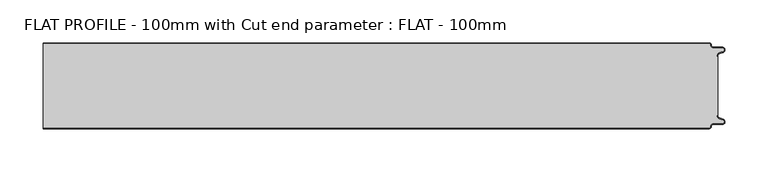
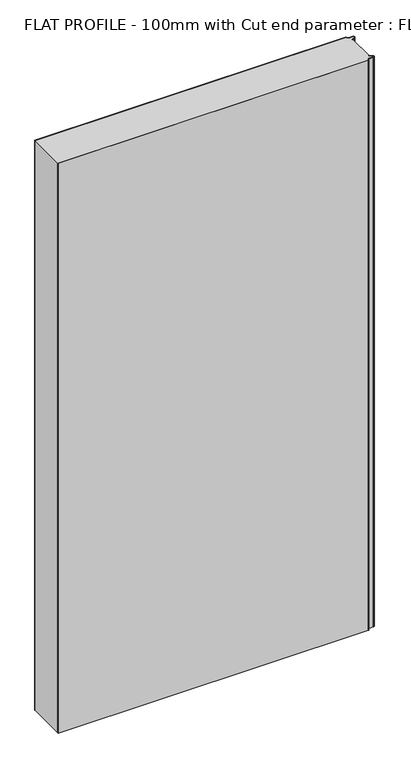
"""IFC4 building model written with IfcOpenShell, lengths in millimetres: proxy geometry, FLAT PROFILE - 100mm with Cut end parameter : FLAT - 100mm."""

from ifc_helpers import new_model, si_unit, point, frame_2d, origin, origin_with_axes, place, context, project, spatial, polyline, circle_curve, trimmed, segment, composite_curve, outline, extrude, source, transform, mapped, element, save


def flat_profile_100mm_with_cut_end_parameter_flat_100mm_bf63f241(model_context):
    return source(origin(), model_context, "Body", "SweptSolid", [
        extrude(outline(composite_curve([segment(trimmed(circle_curve(frame_2d((596.9047345, 47.4926459)), 1.5073578), [point((596.902372, 49.0000019))], [point((598.4115951, 47.4539337))], False, "CARTESIAN"), True, "CONTINUOUS"), segment(trimmed(circle_curve(frame_2d((601.9112919, 47.5000019)), 3.5), [point((598.4115951, 47.4539337))], [point((601.9112919, 44.0000019))], True, "CARTESIAN"), True, "CONTINUOUS"), segment(polyline([(601.9112919, 44.0000019), (612.3116271, 44.0000019)]), True, "CONTINUOUS"), segment(trimmed(circle_curve(frame_2d((612.3116271, 41.9000019)), 2.1), [point((612.3116271, 44.0000019))], [point((613.0435993, 39.9316988))], False, "CARTESIAN"), True, "CONTINUOUS"), segment(polyline([(613.0435993, 39.9316988), (610.7828028, 39.1063001), (607.8546835, 37.9154156)]), True, "CONTINUOUS"), segment(trimmed(circle_curve(frame_2d((608.9399875, 35.2468953)), 2.8807786), [point((607.8546835, 37.9154156))], [point((606.0682599, 35.475074))], True, "CARTESIAN"), True, "CONTINUOUS"), segment(polyline([(606.0682599, 35.475074), (606.0107004, 34.2522232), (607.0118076, 34.2522232), (607.0118076, -34.2522195), (606.0107004, -34.2522195), (606.0682599, -35.4750703)]), True, "CONTINUOUS"), segment(trimmed(circle_curve(frame_2d((608.9399875, -35.2468916)), 2.8807786), [point((606.0682599, -35.4750703))], [point((607.8546835, -37.9154119))], True, "CARTESIAN"), True, "CONTINUOUS"), segment(polyline([(607.8546835, -37.9154119), (610.7828028, -39.1062964), (613.0435993, -39.9316951)]), True, "CONTINUOUS"), segment(trimmed(circle_curve(frame_2d((612.3116271, -41.8999981)), 2.1), [point((613.0435993, -39.9316951))], [point((612.3116271, -43.9999981))], False, "CARTESIAN"), True, "CONTINUOUS"), segment(polyline([(612.3116271, -43.9999981), (601.9112919, -43.9999981)]), True, "CONTINUOUS"), segment(trimmed(circle_curve(frame_2d((601.9112919, -47.4999981)), 3.5), [point((601.9112919, -43.9999981))], [point((598.4115951, -47.45393))], True, "CARTESIAN"), True, "CONTINUOUS"), segment(trimmed(circle_curve(frame_2d((596.9047345, -47.4926422)), 1.5073578), [point((598.4115951, -47.45393))], [point((596.902372, -48.9999981))], False, "CARTESIAN"), True, "CONTINUOUS"), segment(polyline([(596.902372, -48.9999981), (-176.9581191, -48.9999981), (-176.9581191, 49.0000019), (596.902372, 49.0000019)]), True, "CONTINUOUS")], self_intersect=False)), origin_with_axes(), (0.0, 0.0, 1.0), 1500.0),
        extrude(outline(composite_curve([segment(trimmed(circle_curve(frame_2d((596.9047345, 47.4926459)), 2.5073578), [point((596.9016875, 50.0000019))], [point((599.4117582, 47.4517176))], False, "CARTESIAN"), True, "CONTINUOUS"), segment(trimmed(circle_curve(frame_2d((601.9112919, 47.5000019)), 2.5), [point((599.4117582, 47.4517176))], [point((601.9112919, 45.0000019))], True, "CARTESIAN"), True, "CONTINUOUS"), segment(polyline([(601.9112919, 45.0000019), (612.3116271, 45.0000019)]), True, "CONTINUOUS"), segment(trimmed(circle_curve(frame_2d((612.3116271, 41.9000019)), 3.1), [point((612.3116271, 45.0000019))], [point((613.3890842, 38.9932707))], False, "CARTESIAN"), True, "CONTINUOUS"), segment(polyline([(613.3890842, 38.9932707), (611.1427659, 38.1731578), (608.2411829, 37.0549269)]), True, "CONTINUOUS"), segment(trimmed(circle_curve(frame_2d((609.0514567, 35.1592666)), 2.0615701), [point((608.2411829, 37.0549269))], [point((607.0118076, 35.4591051))], True, "CARTESIAN"), True, "CONTINUOUS"), segment(polyline([(607.0118076, 35.4591051), (607.0118076, 34.2522232), (606.0107004, 34.2522232), (606.0682599, 35.475074)]), True, "CONTINUOUS"), segment(trimmed(circle_curve(frame_2d((608.9399875, 35.2468953)), 2.8807786), [point((606.0682599, 35.475074))], [point((607.8546835, 37.9154156))], False, "CARTESIAN"), True, "CONTINUOUS"), segment(polyline([(607.8546835, 37.9154156), (610.7828028, 39.1063001), (613.0435993, 39.9316988)]), True, "CONTINUOUS"), segment(trimmed(circle_curve(frame_2d((612.3116271, 41.9000019)), 2.1), [point((613.0435993, 39.9316988))], [point((612.3116271, 44.0000019))], True, "CARTESIAN"), True, "CONTINUOUS"), segment(polyline([(612.3116271, 44.0000019), (601.9112919, 44.0000019)]), True, "CONTINUOUS"), segment(trimmed(circle_curve(frame_2d((601.9112919, 47.5000019)), 3.5), [point((601.9112919, 44.0000019))], [point((598.4115951, 47.4539337))], False, "CARTESIAN"), True, "CONTINUOUS"), segment(trimmed(circle_curve(frame_2d((596.9047345, 47.4926459)), 1.5073578), [point((598.4115951, 47.4539337))], [point((596.902372, 49.0000019))], True, "CARTESIAN"), True, "CONTINUOUS"), segment(polyline([(596.902372, 49.0000019), (-176.9581191, 49.0000019), (-176.9581191, 50.0000019), (596.9016875, 50.0000019)]), True, "CONTINUOUS")], self_intersect=False)), origin_with_axes(), (0.0, 0.0, 1.0), 1500.0),
        extrude(outline(composite_curve([segment(trimmed(circle_curve(frame_2d((596.9047345, -47.4926422)), 1.5073578), [point((596.902372, -48.9999981))], [point((598.4115951, -47.45393))], True, "CARTESIAN"), True, "CONTINUOUS"), segment(trimmed(circle_curve(frame_2d((601.9112919, -47.4999981)), 3.5), [point((598.4115951, -47.45393))], [point((601.9112919, -43.9999981))], False, "CARTESIAN"), True, "CONTINUOUS"), segment(polyline([(601.9112919, -43.9999981), (612.3116271, -43.9999981)]), True, "CONTINUOUS"), segment(trimmed(circle_curve(frame_2d((612.3116271, -41.8999981)), 2.1), [point((612.3116271, -43.9999981))], [point((613.0435993, -39.9316951))], True, "CARTESIAN"), True, "CONTINUOUS"), segment(polyline([(613.0435993, -39.9316951), (610.7828028, -39.1062964), (607.8546835, -37.9154119)]), True, "CONTINUOUS"), segment(trimmed(circle_curve(frame_2d((608.9399875, -35.2468916)), 2.8807786), [point((607.8546835, -37.9154119))], [point((606.0682599, -35.4750703))], False, "CARTESIAN"), True, "CONTINUOUS"), segment(polyline([(606.0682599, -35.4750703), (606.0107004, -34.2522195), (607.0118076, -34.2522195), (607.0118076, -35.4591014)]), True, "CONTINUOUS"), segment(trimmed(circle_curve(frame_2d((609.0514567, -35.1592629)), 2.0615701), [point((607.0118076, -35.4591014))], [point((608.2411829, -37.0549231))], True, "CARTESIAN"), True, "CONTINUOUS"), segment(polyline([(608.2411829, -37.0549231), (611.1427659, -38.1731541), (613.3890842, -38.993267)]), True, "CONTINUOUS"), segment(trimmed(circle_curve(frame_2d((612.3116271, -41.8999981)), 3.1), [point((613.3890842, -38.993267))], [point((612.3116271, -44.9999981))], False, "CARTESIAN"), True, "CONTINUOUS"), segment(polyline([(612.3116271, -44.9999981), (601.9112919, -44.9999981)]), True, "CONTINUOUS"), segment(trimmed(circle_curve(frame_2d((601.9112919, -47.4999981)), 2.5), [point((601.9112919, -44.9999981))], [point((599.4117582, -47.4517139))], True, "CARTESIAN"), True, "CONTINUOUS"), segment(trimmed(circle_curve(frame_2d((596.9047345, -47.4926422)), 2.5073578), [point((599.4117582, -47.4517139))], [point((596.9016875, -49.9999981))], False, "CARTESIAN"), True, "CONTINUOUS"), segment(polyline([(596.9016875, -49.9999981), (-176.9581191, -49.9999981), (-176.9581191, -48.9999981), (596.902372, -48.9999981)]), True, "CONTINUOUS")], self_intersect=False)), origin_with_axes(), (0.0, 0.0, 1.0), 1500.0),
    ])


if __name__ == "__main__":
    model = new_model("IFC4")
    model_context = context("Model", 3, world=origin())
    ifc_project = project(units=[si_unit("LENGTHUNIT", "METRE", prefix="MILLI")], contexts=[model_context])
    site = spatial("IfcSite", under=ifc_project)
    building = spatial("IfcBuilding", under=site)
    placement = place(None, origin())
    flat_profile_100mm_with_cut_end_parameter_flat_100mm_shape = flat_profile_100mm_with_cut_end_parameter_flat_100mm_bf63f241(model_context)
    element("IfcBuildingElementProxy", 1, Name="FLAT PROFILE - 100mm with Cut end parameter : FLAT - 100mm", ObjectType="FLAT PROFILE - 100mm with Cut end parameter : FLAT - 100mm", at=placement, inside=building, context=model_context, shape_type="MappedRepresentation", body=[
        mapped(flat_profile_100mm_with_cut_end_parameter_flat_100mm_shape, transform((0.0, 0.0, 0.0), x_axis=(1.0, 0.0, 0.0), y_axis=(0.0, 1.0, 0.0), z_axis=(0.0, 0.0, 1.0))),
    ])
    save(model, "model.ifc")
